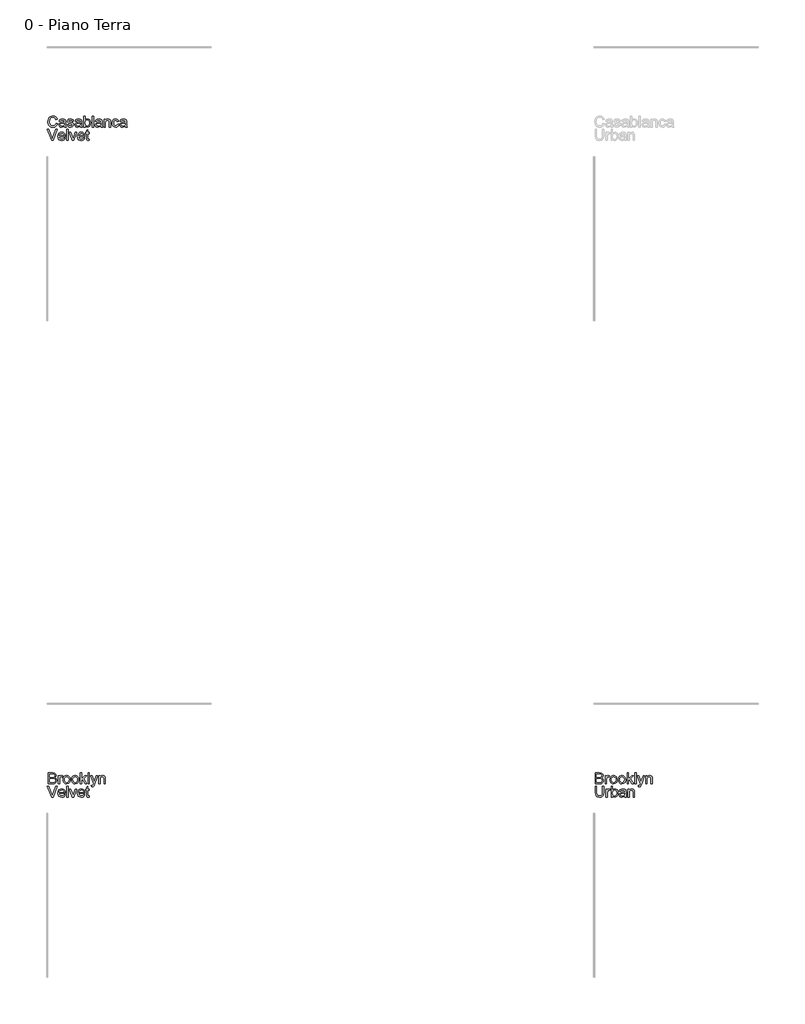
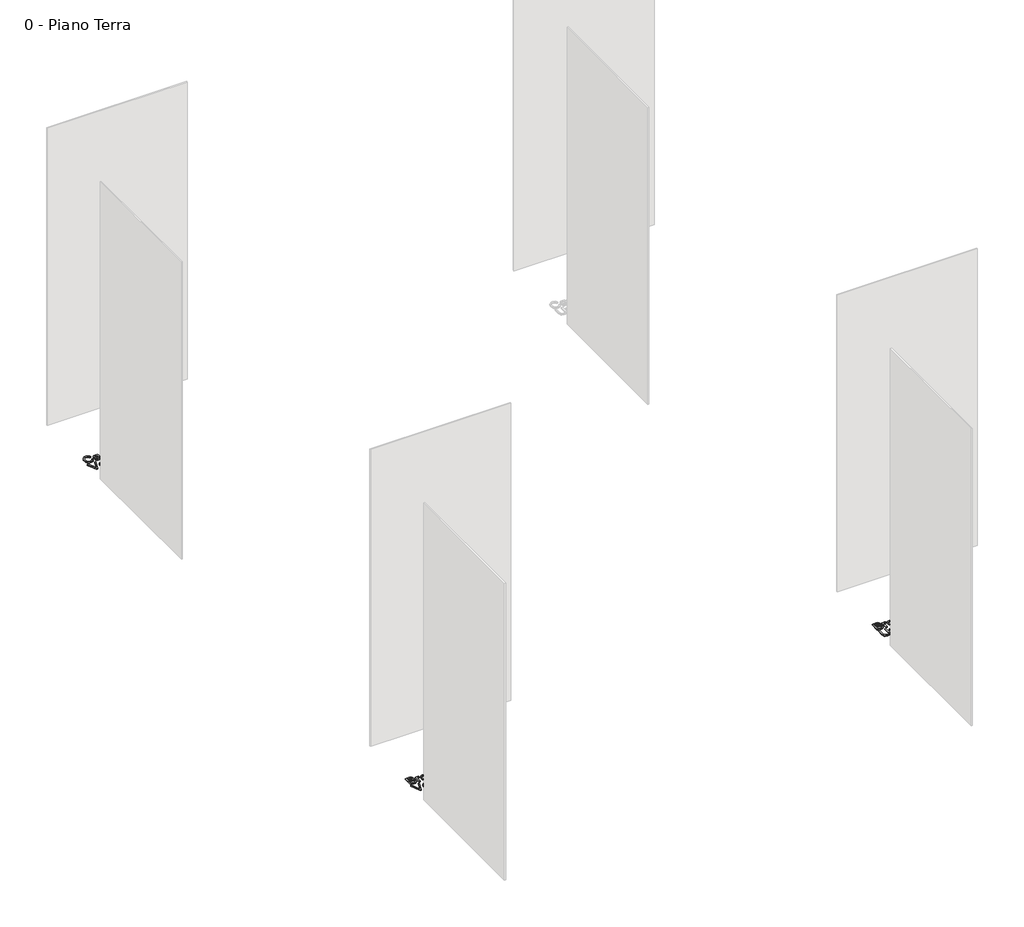
# One storey, part 19 of 35: 3 proxies.
"""IFC4 building model written with IfcOpenShell, lengths in millimetres."""

from ifc_helpers import new_model, si_unit, origin, origin_with_axes, place, context, project, spatial, polyline, outline, extrude, element, save

model = new_model("IFC4")

# Units and contexts
model_context = context("Model", 3, world=origin())
ifc_project = project(units=[si_unit("LENGTHUNIT", "METRE", prefix="MILLI")], contexts=[model_context])

# Site, building, storey
site = spatial("IfcSite", under=ifc_project)
building = spatial("IfcBuilding", under=site)
storey = spatial("IfcBuildingStorey", under=building, Name="0 - Piano Terra", Elevation=0.0)

# Proxies
placement = place(None, origin())
element("IfcBuildingElementProxy", 1, Name="Testo modello 1", ObjectType="Testo modello 1", at=placement, inside=storey, context=model_context, shape_type="SweptSolid", body=[
    extrude(outline(polyline([(7802.3625921, -66238.0501562), (7814.9196309, -66241.2875177), (7809.1254895, -66255.9200241), (7800.0326728, -66266.6100617), (7788.0887707, -66273.1491642), (7773.7413729, -66275.328865), (7759.1763116, -66273.6795274), (7747.6094885, -66268.7315146), (7738.7435325, -66260.6565048), (7732.2810721, -66249.6261763), (7727.0203595, -66222.7707906), (7728.5072159, -66208.1229558), (7732.9677851, -66195.4739466), (7740.1690752, -66185.2253673), (7749.8780942, -66177.7788226), (7761.3928006, -66173.244677), (7774.0111531, -66171.7332952), (7787.7791367, -66173.6892011), (7799.1620188, -66179.5569189), (7807.80418, -66188.974698), (7813.3500011, -66201.5807877), (7800.7929623, -66204.5728946), (7790.4922664, -66189.1341135), (7773.5206437, -66184.2903339), (7753.8757452, -66189.6614111), (7742.7779717, -66204.0823853), (7739.5773983, -66222.7462652), (7743.3665829, -66244.3777265), (7755.1633322, -66258.1978268), (7772.4905741, -66262.7718262), (7782.9721453, -66261.2144591), (7791.706277, -66256.5423578), (7798.3005618, -66248.8045731), (7802.3625921, -66238.0501562)])), origin_with_axes(), (0.0, 0.0, 1.0), 10.0),
    extrude(outline(polyline([(7877.7048248, -66264.3414561), (7865.5279307, -66272.8517929), (7852.0757124, -66275.328865), (7841.5818785, -66273.8389429), (7833.8410282, -66269.3691767), (7829.0677593, -66262.5817539), (7827.4766697, -66254.1388621), (7829.8801654, -66244.2060482), (7836.195473, -66236.9955611), (7844.9878527, -66232.8752828), (7855.8526342, -66230.9868218), (7877.6312484, -66226.6703398), (7877.7048248, -66223.8744366), (7874.246734, -66214.6038103), (7860.3653201, -66210.9740413), (7847.6611285, -66213.3897997), (7841.6033383, -66221.9614502), (7829.0462995, -66220.3918204), (7834.4786903, -66208.1290872), (7845.4170483, -66200.9431256), (7861.9840008, -66198.4170025), (7877.2020527, -66200.64882), (7885.7982287, -66206.252889), (7889.6487269, -66214.7754886), (7890.2618635, -66225.7628975), (7890.2618635, -66241.3856196), (7890.8995257, -66263.2010219), (7893.4011232, -66273.7592352), (7880.8440845, -66273.7592352), (7877.7048248, -66264.3414561)]), holes=[polyline([(7877.7048248, -66239.2273785), (7857.4467896, -66243.0778768), (7846.6433216, -66245.1134905), (7841.7504911, -66248.4244284), (7840.0337085, -66253.2559453), (7843.7738421, -66260.0494995), (7854.7489883, -66262.7718262), (7867.4531798, -66259.7674566), (7875.6446856, -66252.4956558), (7877.6312484, -66242.7835712), (7877.7048248, -66239.2273785)])]), origin_with_axes(), (0.0, 0.0, 1.0), 10.0),
    extrude(outline(polyline([(7902.8189023, -66251.7844173), (7915.3759411, -66250.2147875), (7921.1884766, -66259.5344647), (7934.5058048, -66262.7718262), (7947.3080982, -66259.8042448), (7951.4774275, -66252.8390124), (7947.2835728, -66247.1981551), (7934.358652, -66243.617437), (7915.4495175, -66237.4738077), (7907.196698, -66230.3001088), (7904.3885321, -66220.1710912), (7906.644875, -66210.8146258), (7912.8007671, -66203.6654523), (7920.7838064, -66199.9498442), (7931.5872743, -66198.4170025), (7946.8666399, -66200.8818119), (7956.5787245, -66207.5527388), (7960.8952066, -66218.8221905), (7948.3381678, -66220.3918204), (7943.6170156, -66213.4633761), (7932.568293, -66210.9740413), (7920.5508145, -66213.3530115), (7916.9455709, -66218.8957669), (7918.4416244, -66222.5500614), (7923.1259884, -66225.3214391), (7933.9417191, -66227.994715), (7952.372607, -66233.9053523), (7960.9319948, -66240.6008047), (7964.0344663, -66251.5146372), (7960.3924345, -66263.5321157), (7949.8832722, -66272.250919), (7934.3341266, -66275.328865), (7921.6728546, -66273.8450743), (7912.4328851, -66269.3937021), (7906.2647303, -66262.0237995), (7902.8189023, -66251.7844173)])), origin_with_axes(), (0.0, 0.0, 1.0), 10.0),
    extrude(outline(polyline([(8025.2500303, -66264.3414561), (8013.0731363, -66272.8517929), (7999.620918, -66275.328865), (7989.1270841, -66273.8389429), (7981.3862337, -66269.3691767), (7976.6129648, -66262.5817539), (7975.0218752, -66254.1388621), (7977.4253709, -66244.2060482), (7983.7406785, -66236.9955611), (7992.5330582, -66232.8752828), (8003.3978398, -66230.9868218), (8025.1764539, -66226.6703398), (8025.2500303, -66223.8744366), (8021.7919395, -66214.6038103), (8007.9105256, -66210.9740413), (7995.206334, -66213.3897997), (7989.1485438, -66221.9614502), (7976.5915051, -66220.3918204), (7982.0238959, -66208.1290872), (7992.9622539, -66200.9431256), (8009.5292064, -66198.4170025), (8024.7472582, -66200.64882), (8033.3434342, -66206.252889), (8037.1939324, -66214.7754886), (8037.8070691, -66225.7628975), (8037.8070691, -66241.3856196), (8038.4447312, -66263.2010219), (8040.9463288, -66273.7592352), (8028.38929, -66273.7592352), (8025.2500303, -66264.3414561)]), holes=[polyline([(8025.2500303, -66239.2273785), (8004.9919951, -66243.0778768), (7994.1885272, -66245.1134905), (7989.2956966, -66248.4244284), (7987.578914, -66253.2559453), (7991.3190476, -66260.0494995), (8002.2941938, -66262.7718262), (8014.9983854, -66259.7674566), (8023.1898911, -66252.4956558), (8025.1764539, -66242.7835712), (8025.2500303, -66239.2273785)])]), origin_with_axes(), (0.0, 0.0, 1.0), 10.0),
    extrude(outline(polyline([(8067.6300361, -66273.7592352), (8055.0729974, -66273.7592352), (8055.0729974, -66173.302925), (8067.6300361, -66173.302925), (8067.6300361, -66210.5571084), (8076.4224158, -66201.452029), (8087.3485111, -66198.4170025), (8099.9300753, -66201.151592), (8109.6912109, -66208.8403257), (8115.6876874, -66220.7964906), (8117.8581912, -66235.7692878), (8115.6110454, -66252.532444), (8108.8696078, -66265.0036437), (8098.9766478, -66272.7475597), (8087.2749347, -66275.328865), (8076.1097161, -66271.9995329), (8067.6300361, -66262.0115368), (8067.6300361, -66273.7592352)]), holes=[polyline([(8067.6300361, -66236.357899), (8071.0636014, -66253.9181329), (8077.6425578, -66260.5584029), (8086.1958142, -66262.7718262), (8093.4430895, -66261.1408827), (8099.6357697, -66256.2480522), (8103.8848068, -66248.1239915), (8105.3011524, -66236.7993574), (8103.9430547, -66225.3091764), (8099.8687616, -66217.2770862), (8093.8692194, -66212.5498025), (8086.7353744, -66210.9740413), (8079.4880991, -66212.6049848), (8073.2954189, -66217.4978154), (8069.0463818, -66225.4747233), (8067.6300361, -66236.357899)])]), origin_with_axes(), (0.0, 0.0, 1.0), 10.0),
    extrude(outline(polyline([(8131.9848598, -66273.7592352), (8131.9848598, -66173.302925), (8144.5418986, -66173.302925), (8144.5418986, -66273.7592352), (8131.9848598, -66273.7592352)])), origin_with_axes(), (0.0, 0.0, 1.0), 10.0),
    extrude(outline(polyline([(8210.4663521, -66264.3414561), (8198.2894581, -66272.8517929), (8184.8372398, -66275.328865), (8174.3434059, -66273.8389429), (8166.6025556, -66269.3691767), (8161.8292867, -66262.5817539), (8160.2381971, -66254.1388621), (8162.6416928, -66244.2060482), (8168.9570003, -66236.9955611), (8177.74938, -66232.8752828), (8188.6141616, -66230.9868218), (8210.3927757, -66226.6703398), (8210.4663521, -66223.8744366), (8207.0082614, -66214.6038103), (8193.1268474, -66210.9740413), (8180.4226559, -66213.3897997), (8174.3648657, -66221.9614502), (8161.8078269, -66220.3918204), (8167.2402177, -66208.1290872), (8178.1785757, -66200.9431256), (8194.7455282, -66198.4170025), (8209.9635801, -66200.64882), (8218.559756, -66206.252889), (8222.4102542, -66214.7754886), (8223.0233909, -66225.7628975), (8223.0233909, -66241.3856196), (8223.661053, -66263.2010219), (8226.1626506, -66273.7592352), (8213.6056118, -66273.7592352), (8210.4663521, -66264.3414561)]), holes=[polyline([(8210.4663521, -66239.2273785), (8190.2083169, -66243.0778768), (8179.404849, -66245.1134905), (8174.5120185, -66248.4244284), (8172.7952358, -66253.2559453), (8176.5353694, -66260.0494995), (8187.5105156, -66262.7718262), (8200.2147072, -66259.7674566), (8208.406213, -66252.4956558), (8210.3927757, -66242.7835712), (8210.4663521, -66239.2273785)])]), origin_with_axes(), (0.0, 0.0, 1.0), 10.0),
    extrude(outline(polyline([(8240.2893192, -66273.7592352), (8240.2893192, -66199.9866324), (8252.846358, -66199.9866324), (8252.846358, -66210.2873283), (8262.4480781, -66201.384584), (8275.5569398, -66198.4170025), (8287.4150028, -66200.8082355), (8295.5084067, -66207.0867549), (8299.2730658, -66216.320593), (8299.9352534, -66228.4606988), (8299.9352534, -66273.7592352), (8287.3782146, -66273.7592352), (8287.3782146, -66230.152956), (8285.9312121, -66219.0429197), (8280.8176523, -66213.1690705), (8272.1969509, -66210.9740413), (8258.5730544, -66215.90366), (8254.2780321, -66223.0467021), (8252.846358, -66234.6165909), (8252.846358, -66273.7592352), (8240.2893192, -66273.7592352)])), origin_with_axes(), (0.0, 0.0, 1.0), 10.0),
    extrude(outline(polyline([(8364.290077, -66247.0755278), (8376.8471158, -66248.6451576), (8373.3461055, -66259.8134419), (8366.7671491, -66268.253268), (8357.7295148, -66273.5599657), (8346.8524705, -66275.328865), (8333.4952884, -66272.8609899), (8323.0505054, -66265.4573648), (8316.3090678, -66253.442952), (8314.061922, -66237.1427139), (8317.9001575, -66216.2838048), (8329.5988049, -66202.8806374), (8346.6807922, -66198.4170025), (8357.2911221, -66199.9498442), (8365.7738678, -66204.5483691), (8371.8592491, -66211.9673227), (8375.277486, -66221.9614502), (8362.7204472, -66223.5310801), (8356.8956489, -66214.1255637), (8346.7788941, -66210.9740413), (8338.6640304, -66212.5252771), (8332.2230298, -66217.1789843), (8328.019978, -66225.1865491), (8326.6189607, -66236.7993574), (8327.9893212, -66248.5685155), (8332.1004025, -66256.6036714), (8338.4249071, -66261.2297875), (8346.4355375, -66262.7718262), (8358.2690751, -66258.921328), (8364.290077, -66247.0755278)])), origin_with_axes(), (0.0, 0.0, 1.0), 10.0),
    extrude(outline(polyline([(8434.9234201, -66264.3414561), (8422.7465261, -66272.8517929), (8409.2943078, -66275.328865), (8398.8004739, -66273.8389429), (8391.0596236, -66269.3691767), (8386.2863547, -66262.5817539), (8384.695265, -66254.1388621), (8387.0987607, -66244.2060482), (8393.4140683, -66236.9955611), (8402.206448, -66232.8752828), (8413.0712296, -66230.9868218), (8434.8498437, -66226.6703398), (8434.9234201, -66223.8744366), (8431.4653294, -66214.6038103), (8417.5839154, -66210.9740413), (8404.8797239, -66213.3897997), (8398.8219337, -66221.9614502), (8386.2648949, -66220.3918204), (8391.6972857, -66208.1290872), (8402.6356437, -66200.9431256), (8419.2025962, -66198.4170025), (8434.4206481, -66200.64882), (8443.016824, -66206.252889), (8446.8673222, -66214.7754886), (8447.4804589, -66225.7628975), (8447.4804589, -66241.3856196), (8448.118121, -66263.2010219), (8450.6197186, -66273.7592352), (8438.0626798, -66273.7592352), (8434.9234201, -66264.3414561)]), holes=[polyline([(8434.9234201, -66239.2273785), (8414.6653849, -66243.0778768), (8403.861917, -66245.1134905), (8398.9690865, -66248.4244284), (8397.2523038, -66253.2559453), (8400.9924374, -66260.0494995), (8411.9675836, -66262.7718262), (8424.6717752, -66259.7674566), (8432.8632809, -66252.4956558), (8434.8498437, -66242.7835712), (8434.9234201, -66239.2273785)])]), origin_with_axes(), (0.0, 0.0, 1.0), 10.0),
    extrude(outline(polyline([(7761.4050634, -66395.734053), (7721.4285532, -66295.2777428), (7734.8685088, -66295.2777428), (7761.6257926, -66367.652394), (7767.0459206, -66383.9618292), (7772.3924723, -66367.652394), (7799.2233325, -66295.2777428), (7812.663288, -66295.2777428), (7774.379035, -66395.734053), (7761.4050634, -66395.734053)])), origin_with_axes(), (0.0, 0.0, 1.0), 10.0),
    extrude(outline(polyline([(7874.4184123, -66373.7592352), (7886.7301964, -66375.328865), (7882.2941527, -66384.6056226), (7875.2154899, -66391.5401983), (7865.6536237, -66395.8628117), (7853.7679696, -66397.3036828), (7839.0342957, -66394.8174137), (7827.6973989, -66387.3586062), (7820.4685177, -66375.4116384), (7818.0588906, -66359.4608883), (7820.4930431, -66342.9736435), (7827.7955007, -66330.6434653), (7838.9791134, -66322.9547316), (7853.0567311, -66320.3918204), (7866.6959561, -66322.9486003), (7877.5944602, -66330.6189399), (7884.7405679, -66342.9245926), (7887.1226038, -66359.3873119), (7887.0490274, -66362.7718262), (7830.6159294, -66362.7718262), (7832.7894988, -66372.1712112), (7837.8386792, -66379.0812613), (7845.1258084, -66383.3302984), (7854.0132243, -66384.7466441), (7866.3250084, -66382.1224192), (7874.4184123, -66373.7592352)]), holes=[polyline([(7830.6159294, -66350.2147875), (7874.5655651, -66350.2147875), (7869.5378445, -66338.8349711), (7862.2169928, -66334.4203871), (7853.0076802, -66332.9488592), (7837.5443736, -66337.645486), (7832.6791342, -66343.1361247), (7830.6159294, -66350.2147875)])]), origin_with_axes(), (0.0, 0.0, 1.0), 10.0),
    extrude(outline(polyline([(7899.6796426, -66395.734053), (7899.6796426, -66295.2777428), (7912.2366814, -66295.2777428), (7912.2366814, -66395.734053), (7899.6796426, -66395.734053)])), origin_with_axes(), (0.0, 0.0, 1.0), 10.0),
    extrude(outline(polyline([(7949.1720337, -66395.734053), (7923.2240903, -66321.9614502), (7936.5168931, -66321.9614502), (7952.237717, -66366.1563406), (7956.971132, -66381.0187732), (7961.6064451, -66366.9902064), (7977.4253709, -66321.9614502), (7990.7181737, -66321.9614502), (7965.0890613, -66395.734053), (7949.1720337, -66395.734053)])), origin_with_axes(), (0.0, 0.0, 1.0), 10.0),
    extrude(outline(polyline([(8053.3562147, -66373.7592352), (8065.6679988, -66375.328865), (8061.2319551, -66384.6056226), (8054.1532924, -66391.5401983), (8044.5914262, -66395.8628117), (8032.7057721, -66397.3036828), (8017.9720982, -66394.8174137), (8006.6352013, -66387.3586062), (7999.4063201, -66375.4116384), (7996.9966931, -66359.4608883), (7999.4308456, -66342.9736435), (8006.7333032, -66330.6434653), (8017.9169159, -66322.9547316), (8031.9945335, -66320.3918204), (8045.6337585, -66322.9486003), (8056.5322626, -66330.6189399), (8063.6783704, -66342.9245926), (8066.0604063, -66359.3873119), (8065.9868299, -66362.7718262), (8009.5537318, -66362.7718262), (8011.7273013, -66372.1712112), (8016.7764817, -66379.0812613), (8024.0636109, -66383.3302984), (8032.9510267, -66384.7466441), (8045.2628108, -66382.1224192), (8053.3562147, -66373.7592352)]), holes=[polyline([(8009.5537318, -66350.2147875), (8053.5033675, -66350.2147875), (8048.4756469, -66338.8349711), (8041.1547952, -66334.4203871), (8031.9454826, -66332.9488592), (8016.4821761, -66337.645486), (8011.6169367, -66343.1361247), (8009.5537318, -66350.2147875)])]), origin_with_axes(), (0.0, 0.0, 1.0), 10.0),
    extrude(outline(polyline([(8105.3011524, -66385.2616789), (8106.8707823, -66396.101935), (8097.4775287, -66397.3036828), (8086.9561036, -66395.2190182), (8081.7076538, -66389.7498392), (8080.1870749, -66375.5005433), (8080.1870749, -66334.518489), (8070.7692958, -66334.518489), (8070.7692958, -66321.9614502), (8080.1870749, -66321.9614502), (8080.1870749, -66304.0333343), (8092.7441137, -66296.651169), (8092.7441137, -66321.9614502), (8105.3011524, -66321.9614502), (8105.3011524, -66334.518489), (8092.7441137, -66334.518489), (8092.7441137, -66375.1326613), (8093.4063013, -66381.6073844), (8095.5522796, -66383.9005155), (8099.8319734, -66384.7466441), (8105.3011524, -66385.2616789)])), origin_with_axes(), (0.0, 0.0, 1.0), 10.0),
])
element("IfcBuildingElementProxy", 2, Name="Testo modello 1", ObjectType="Testo modello 1", at=placement, inside=storey, context=model_context, shape_type="SweptSolid", body=[
    extrude(outline(polyline([(7731.7292491, -72273.7592352), (7731.7292491, -72173.302925), (7770.062553, -72173.302925), (7788.8367975, -72176.2582437), (7799.9223082, -72185.344929), (7803.932222, -72198.1962733), (7800.5599704, -72209.931709), (7790.3696391, -72218.8221905), (7802.7427369, -72228.1909187), (7807.0714817, -72243.8136407), (7804.116163, -72257.31491), (7796.7953113, -72266.9288928), (7785.869216, -72272.0301898), (7769.7682474, -72273.7592352), (7731.7292491, -72273.7592352)]), holes=[polyline([(7744.2862878, -72214.113301), (7767.2175989, -72214.113301), (7780.6085035, -72213.0341805), (7788.6651192, -72208.3866046), (7791.3751832, -72200.2073616), (7788.8490602, -72192.0158558), (7781.6140476, -72187.1720762), (7765.4762908, -72185.8599638), (7744.2862878, -72185.8599638), (7744.2862878, -72214.113301)]), polyline([(7744.2862878, -72261.2021964), (7770.0380275, -72261.2021964), (7779.3577047, -72260.7116871), (7787.2426421, -72257.9770976), (7792.4665665, -72252.397554), (7794.5144429, -72243.9362681), (7792.1109472, -72234.1751325), (7784.3241117, -72228.3503342), (7768.8117542, -72226.6703398), (7744.2862878, -72226.6703398), (7744.2862878, -72261.2021964)])]), origin_with_axes(), (0.0, 0.0, 1.0), 10.0),
    extrude(outline(polyline([(7822.7677801, -72273.7592352), (7822.7677801, -72199.9866324), (7833.7551891, -72199.9866324), (7833.7551891, -72210.9004649), (7841.5542874, -72200.8450237), (7849.4024366, -72198.4170025), (7862.0085263, -72202.2920262), (7857.8146716, -72213.5492153), (7848.9855037, -72210.9740413), (7841.8853812, -72213.4511134), (7837.3604326, -72220.318244), (7835.3248189, -72234.9844729), (7835.3248189, -72273.7592352), (7822.7677801, -72273.7592352)])), origin_with_axes(), (0.0, 0.0, 1.0), 10.0),
    extrude(outline(polyline([(7866.7174158, -72236.8729338), (7869.4336112, -72219.0858393), (7877.5821974, -72206.5839828), (7887.6499014, -72200.4587476), (7899.7041681, -72198.4170025), (7912.8958033, -72200.9032717), (7923.4325568, -72208.3620791), (7930.3395412, -72220.2048137), (7932.6418694, -72235.8428642), (7928.570642, -72258.185564), (7916.712579, -72270.8284419), (7899.7041681, -72275.328865), (7886.3531173, -72272.8517929), (7875.8286266, -72265.4205766), (7868.9952185, -72253.3295217), (7866.7174158, -72236.8729338)]), holes=[polyline([(7879.2744546, -72236.8484083), (7880.7275885, -72248.2128963), (7885.0869901, -72256.3093658), (7891.6475524, -72261.1562111), (7899.7041681, -72262.7718262), (7907.7239956, -72261.1470141), (7914.2722951, -72256.2725776), (7918.6316967, -72248.0688092), (7920.0848306, -72236.4560008), (7918.6224997, -72225.4226067), (7914.2355069, -72217.4365017), (7907.6780103, -72212.5896564), (7899.7041681, -72210.9740413), (7891.6475524, -72212.583525), (7885.0869901, -72217.4119762), (7880.7275885, -72225.4900517), (7879.2744546, -72236.8484083)])]), origin_with_axes(), (0.0, 0.0, 1.0), 10.0),
    extrude(outline(polyline([(7943.6292783, -72236.8729338), (7946.3454737, -72219.0858393), (7954.4940599, -72206.5839828), (7964.5617638, -72200.4587476), (7976.6160305, -72198.4170025), (7989.8076657, -72200.9032717), (8000.3444192, -72208.3620791), (8007.2514037, -72220.2048137), (8009.5537318, -72235.8428642), (8005.4825044, -72258.185564), (7993.6244414, -72270.8284419), (7976.6160305, -72275.328865), (7963.2649798, -72272.8517929), (7952.740489, -72265.4205766), (7945.907081, -72253.3295217), (7943.6292783, -72236.8729338)]), holes=[polyline([(7956.1863171, -72236.8484083), (7957.6394509, -72248.2128963), (7961.9988526, -72256.3093658), (7968.5594148, -72261.1562111), (7976.6160305, -72262.7718262), (7984.635858, -72261.1470141), (7991.1841575, -72256.2725776), (7995.5435592, -72248.0688092), (7996.9966931, -72236.4560008), (7995.5343621, -72225.4226067), (7991.1473693, -72217.4365017), (7984.5898728, -72212.5896564), (7976.6160305, -72210.9740413), (7968.5594148, -72212.583525), (7961.9988526, -72217.4119762), (7957.6394509, -72225.4900517), (7956.1863171, -72236.8484083)])]), origin_with_axes(), (0.0, 0.0, 1.0), 10.0),
    extrude(outline(polyline([(8023.6804004, -72273.7592352), (8023.6804004, -72173.302925), (8036.2374392, -72173.302925), (8036.2374392, -72227.2834764), (8064.3926746, -72199.9866324), (8081.7567048, -72199.9866324), (8053.2581129, -72227.626833), (8083.3263346, -72273.7592352), (8068.6601057, -72273.7592352), (8044.2572667, -72236.357899), (8036.2374392, -72244.1324718), (8036.2374392, -72273.7592352), (8023.6804004, -72273.7592352)])), origin_with_axes(), (0.0, 0.0, 1.0), 10.0),
    extrude(outline(polyline([(8094.3137435, -72273.7592352), (8094.3137435, -72173.302925), (8106.8707823, -72173.302925), (8106.8707823, -72273.7592352), (8094.3137435, -72273.7592352)])), origin_with_axes(), (0.0, 0.0, 1.0), 10.0),
    extrude(outline(polyline([(8125.7063404, -72302.0125724), (8124.1367106, -72289.9215175), (8130.5133318, -72291.0251635), (8136.4730202, -72289.6394746), (8140.1273147, -72285.7767137), (8143.5608799, -72276.5306128), (8144.5418986, -72273.489455), (8117.8581912, -72199.9866324), (8131.101943, -72199.9866324), (8145.2531371, -72240.9441612), (8150.1827559, -72257.3271727), (8155.1123746, -72242.8571476), (8169.6559761, -72199.9866324), (8182.8016261, -72199.9866324), (8157.1234628, -72275.5250687), (8150.452536, -72291.9080802), (8143.1684725, -72300.7617736), (8133.3828114, -72303.5822022), (8125.7063404, -72302.0125724)])), origin_with_axes(), (0.0, 0.0, 1.0), 10.0),
    extrude(outline(polyline([(8193.2004238, -72273.7592352), (8193.2004238, -72199.9866324), (8205.7574626, -72199.9866324), (8205.7574626, -72210.2873283), (8215.3591827, -72201.384584), (8228.4680444, -72198.4170025), (8240.3261074, -72200.8082355), (8248.4195113, -72207.0867549), (8252.1841704, -72216.320593), (8252.846358, -72228.4606988), (8252.846358, -72273.7592352), (8240.2893192, -72273.7592352), (8240.2893192, -72230.152956), (8238.8423167, -72219.0429197), (8233.728757, -72213.1690705), (8225.1080555, -72210.9740413), (8211.484159, -72215.90366), (8207.1891367, -72223.0467021), (8205.7574626, -72234.6165909), (8205.7574626, -72273.7592352), (8193.2004238, -72273.7592352)])), origin_with_axes(), (0.0, 0.0, 1.0), 10.0),
    extrude(outline(polyline([(7761.4050634, -72395.734053), (7721.4285532, -72295.2777428), (7734.8685088, -72295.2777428), (7761.6257926, -72367.652394), (7767.0459206, -72383.9618292), (7772.3924723, -72367.652394), (7799.2233325, -72295.2777428), (7812.663288, -72295.2777428), (7774.379035, -72395.734053), (7761.4050634, -72395.734053)])), origin_with_axes(), (0.0, 0.0, 1.0), 10.0),
    extrude(outline(polyline([(7874.4184123, -72373.7592352), (7886.7301964, -72375.328865), (7882.2941527, -72384.6056226), (7875.2154899, -72391.5401983), (7865.6536237, -72395.8628117), (7853.7679696, -72397.3036828), (7839.0342957, -72394.8174137), (7827.6973989, -72387.3586062), (7820.4685177, -72375.4116384), (7818.0588906, -72359.4608883), (7820.4930431, -72342.9736435), (7827.7955007, -72330.6434653), (7838.9791134, -72322.9547316), (7853.0567311, -72320.3918204), (7866.6959561, -72322.9486003), (7877.5944602, -72330.6189399), (7884.7405679, -72342.9245926), (7887.1226038, -72359.3873119), (7887.0490274, -72362.7718262), (7830.6159294, -72362.7718262), (7832.7894988, -72372.1712112), (7837.8386792, -72379.0812613), (7845.1258084, -72383.3302984), (7854.0132243, -72384.7466441), (7866.3250084, -72382.1224192), (7874.4184123, -72373.7592352)]), holes=[polyline([(7830.6159294, -72350.2147875), (7874.5655651, -72350.2147875), (7869.5378445, -72338.8349711), (7862.2169928, -72334.4203871), (7853.0076802, -72332.9488592), (7837.5443736, -72337.645486), (7832.6791342, -72343.1361247), (7830.6159294, -72350.2147875)])]), origin_with_axes(), (0.0, 0.0, 1.0), 10.0),
    extrude(outline(polyline([(7899.6796426, -72395.734053), (7899.6796426, -72295.2777428), (7912.2366814, -72295.2777428), (7912.2366814, -72395.734053), (7899.6796426, -72395.734053)])), origin_with_axes(), (0.0, 0.0, 1.0), 10.0),
    extrude(outline(polyline([(7949.1720337, -72395.734053), (7923.2240903, -72321.9614502), (7936.5168931, -72321.9614502), (7952.237717, -72366.1563406), (7956.971132, -72381.0187732), (7961.6064451, -72366.9902064), (7977.4253709, -72321.9614502), (7990.7181737, -72321.9614502), (7965.0890613, -72395.734053), (7949.1720337, -72395.734053)])), origin_with_axes(), (0.0, 0.0, 1.0), 10.0),
    extrude(outline(polyline([(8053.3562147, -72373.7592352), (8065.6679988, -72375.328865), (8061.2319551, -72384.6056226), (8054.1532924, -72391.5401983), (8044.5914262, -72395.8628117), (8032.7057721, -72397.3036828), (8017.9720982, -72394.8174137), (8006.6352013, -72387.3586062), (7999.4063201, -72375.4116384), (7996.9966931, -72359.4608883), (7999.4308456, -72342.9736435), (8006.7333032, -72330.6434653), (8017.9169159, -72322.9547316), (8031.9945335, -72320.3918204), (8045.6337585, -72322.9486003), (8056.5322626, -72330.6189399), (8063.6783704, -72342.9245926), (8066.0604063, -72359.3873119), (8065.9868299, -72362.7718262), (8009.5537318, -72362.7718262), (8011.7273013, -72372.1712112), (8016.7764817, -72379.0812613), (8024.0636109, -72383.3302984), (8032.9510267, -72384.7466441), (8045.2628108, -72382.1224192), (8053.3562147, -72373.7592352)]), holes=[polyline([(8009.5537318, -72350.2147875), (8053.5033675, -72350.2147875), (8048.4756469, -72338.8349711), (8041.1547952, -72334.4203871), (8031.9454826, -72332.9488592), (8016.4821761, -72337.645486), (8011.6169367, -72343.1361247), (8009.5537318, -72350.2147875)])]), origin_with_axes(), (0.0, 0.0, 1.0), 10.0),
    extrude(outline(polyline([(8105.3011524, -72385.2616789), (8106.8707823, -72396.101935), (8097.4775287, -72397.3036828), (8086.9561036, -72395.2190182), (8081.7076538, -72389.7498392), (8080.1870749, -72375.5005433), (8080.1870749, -72334.518489), (8070.7692958, -72334.518489), (8070.7692958, -72321.9614502), (8080.1870749, -72321.9614502), (8080.1870749, -72304.0333343), (8092.7441137, -72296.651169), (8092.7441137, -72321.9614502), (8105.3011524, -72321.9614502), (8105.3011524, -72334.518489), (8092.7441137, -72334.518489), (8092.7441137, -72375.1326613), (8093.4063013, -72381.6073844), (8095.5522796, -72383.9005155), (8099.8319734, -72384.7466441), (8105.3011524, -72385.2616789)])), origin_with_axes(), (0.0, 0.0, 1.0), 10.0),
])
element("IfcBuildingElementProxy", 3, Name="Testo modello 1", ObjectType="Testo modello 1", at=placement, inside=storey, context=model_context, shape_type="SweptSolid", body=[
    extrude(outline(polyline([(12731.7292491, -72273.7592352), (12731.7292491, -72173.302925), (12770.062553, -72173.302925), (12788.8367975, -72176.2582437), (12799.9223082, -72185.344929), (12803.932222, -72198.1962733), (12800.5599704, -72209.931709), (12790.3696391, -72218.8221905), (12802.7427369, -72228.1909187), (12807.0714817, -72243.8136407), (12804.116163, -72257.31491), (12796.7953113, -72266.9288928), (12785.869216, -72272.0301898), (12769.7682474, -72273.7592352), (12731.7292491, -72273.7592352)]), holes=[polyline([(12744.2862878, -72214.113301), (12767.2175989, -72214.113301), (12780.6085035, -72213.0341805), (12788.6651192, -72208.3866046), (12791.3751832, -72200.2073616), (12788.8490602, -72192.0158558), (12781.6140476, -72187.1720762), (12765.4762908, -72185.8599638), (12744.2862878, -72185.8599638), (12744.2862878, -72214.113301)]), polyline([(12744.2862878, -72261.2021964), (12770.0380275, -72261.2021964), (12779.3577047, -72260.7116871), (12787.2426421, -72257.9770976), (12792.4665665, -72252.397554), (12794.5144429, -72243.9362681), (12792.1109472, -72234.1751325), (12784.3241117, -72228.3503342), (12768.8117542, -72226.6703398), (12744.2862878, -72226.6703398), (12744.2862878, -72261.2021964)])]), origin_with_axes(), (0.0, 0.0, 1.0), 10.0),
    extrude(outline(polyline([(12822.7677801, -72273.7592352), (12822.7677801, -72199.9866324), (12833.7551891, -72199.9866324), (12833.7551891, -72210.9004649), (12841.5542874, -72200.8450237), (12849.4024366, -72198.4170025), (12862.0085263, -72202.2920262), (12857.8146716, -72213.5492153), (12848.9855037, -72210.9740413), (12841.8853812, -72213.4511134), (12837.3604326, -72220.318244), (12835.3248189, -72234.9844729), (12835.3248189, -72273.7592352), (12822.7677801, -72273.7592352)])), origin_with_axes(), (0.0, 0.0, 1.0), 10.0),
    extrude(outline(polyline([(12866.7174158, -72236.8729338), (12869.4336112, -72219.0858393), (12877.5821974, -72206.5839828), (12887.6499014, -72200.4587476), (12899.7041681, -72198.4170025), (12912.8958033, -72200.9032717), (12923.4325568, -72208.3620791), (12930.3395412, -72220.2048137), (12932.6418694, -72235.8428642), (12928.570642, -72258.185564), (12916.712579, -72270.8284419), (12899.7041681, -72275.328865), (12886.3531173, -72272.8517929), (12875.8286266, -72265.4205766), (12868.9952185, -72253.3295217), (12866.7174158, -72236.8729338)]), holes=[polyline([(12879.2744546, -72236.8484083), (12880.7275885, -72248.2128963), (12885.0869901, -72256.3093658), (12891.6475524, -72261.1562111), (12899.7041681, -72262.7718262), (12907.7239956, -72261.1470141), (12914.2722951, -72256.2725776), (12918.6316967, -72248.0688092), (12920.0848306, -72236.4560008), (12918.6224997, -72225.4226067), (12914.2355069, -72217.4365017), (12907.6780103, -72212.5896564), (12899.7041681, -72210.9740413), (12891.6475524, -72212.583525), (12885.0869901, -72217.4119762), (12880.7275885, -72225.4900517), (12879.2744546, -72236.8484083)])]), origin_with_axes(), (0.0, 0.0, 1.0), 10.0),
    extrude(outline(polyline([(12943.6292783, -72236.8729338), (12946.3454737, -72219.0858393), (12954.4940599, -72206.5839828), (12964.5617638, -72200.4587476), (12976.6160305, -72198.4170025), (12989.8076657, -72200.9032717), (13000.3444192, -72208.3620791), (13007.2514037, -72220.2048137), (13009.5537318, -72235.8428642), (13005.4825044, -72258.185564), (12993.6244414, -72270.8284419), (12976.6160305, -72275.328865), (12963.2649798, -72272.8517929), (12952.740489, -72265.4205766), (12945.907081, -72253.3295217), (12943.6292783, -72236.8729338)]), holes=[polyline([(12956.1863171, -72236.8484083), (12957.6394509, -72248.2128963), (12961.9988526, -72256.3093658), (12968.5594148, -72261.1562111), (12976.6160305, -72262.7718262), (12984.635858, -72261.1470141), (12991.1841575, -72256.2725776), (12995.5435592, -72248.0688092), (12996.9966931, -72236.4560008), (12995.5343621, -72225.4226067), (12991.1473693, -72217.4365017), (12984.5898728, -72212.5896564), (12976.6160305, -72210.9740413), (12968.5594148, -72212.583525), (12961.9988526, -72217.4119762), (12957.6394509, -72225.4900517), (12956.1863171, -72236.8484083)])]), origin_with_axes(), (0.0, 0.0, 1.0), 10.0),
    extrude(outline(polyline([(13023.6804004, -72273.7592352), (13023.6804004, -72173.302925), (13036.2374392, -72173.302925), (13036.2374392, -72227.2834764), (13064.3926746, -72199.9866324), (13081.7567048, -72199.9866324), (13053.2581129, -72227.626833), (13083.3263346, -72273.7592352), (13068.6601057, -72273.7592352), (13044.2572667, -72236.357899), (13036.2374392, -72244.1324718), (13036.2374392, -72273.7592352), (13023.6804004, -72273.7592352)])), origin_with_axes(), (0.0, 0.0, 1.0), 10.0),
    extrude(outline(polyline([(13094.3137435, -72273.7592352), (13094.3137435, -72173.302925), (13106.8707823, -72173.302925), (13106.8707823, -72273.7592352), (13094.3137435, -72273.7592352)])), origin_with_axes(), (0.0, 0.0, 1.0), 10.0),
    extrude(outline(polyline([(13125.7063404, -72302.0125724), (13124.1367106, -72289.9215175), (13130.5133318, -72291.0251635), (13136.4730202, -72289.6394746), (13140.1273147, -72285.7767137), (13143.5608799, -72276.5306128), (13144.5418986, -72273.489455), (13117.8581912, -72199.9866324), (13131.101943, -72199.9866324), (13145.2531371, -72240.9441612), (13150.1827559, -72257.3271727), (13155.1123746, -72242.8571476), (13169.6559761, -72199.9866324), (13182.8016261, -72199.9866324), (13157.1234628, -72275.5250687), (13150.452536, -72291.9080802), (13143.1684725, -72300.7617736), (13133.3828114, -72303.5822022), (13125.7063404, -72302.0125724)])), origin_with_axes(), (0.0, 0.0, 1.0), 10.0),
    extrude(outline(polyline([(13193.2004238, -72273.7592352), (13193.2004238, -72199.9866324), (13205.7574626, -72199.9866324), (13205.7574626, -72210.2873283), (13215.3591827, -72201.384584), (13228.4680444, -72198.4170025), (13240.3261074, -72200.8082355), (13248.4195113, -72207.0867549), (13252.1841704, -72216.320593), (13252.846358, -72228.4606988), (13252.846358, -72273.7592352), (13240.2893192, -72273.7592352), (13240.2893192, -72230.152956), (13238.8423167, -72219.0429197), (13233.728757, -72213.1690705), (13225.1080555, -72210.9740413), (13211.484159, -72215.90366), (13207.1891367, -72223.0467021), (13205.7574626, -72234.6165909), (13205.7574626, -72273.7592352), (13193.2004238, -72273.7592352)])), origin_with_axes(), (0.0, 0.0, 1.0), 10.0),
    extrude(outline(polyline([(12797.6537026, -72295.2777428), (12810.2107414, -72295.2777428), (12810.2107414, -72353.2314198), (12806.8017016, -72377.2541141), (12794.5144429, -72391.7241392), (12784.2505353, -72395.9087969), (12771.2152499, -72397.3036828), (12748.2716761, -72392.4476405), (12740.6319934, -72386.5032806), (12735.5429591, -72378.3822856), (12731.7292491, -72353.2314198), (12731.7292491, -72295.2777428), (12744.2862878, -72295.2777428), (12744.2862878, -72352.7899614), (12746.7633599, -72371.9320879), (12755.2736968, -72381.4111807), (12770.0380275, -72384.7466441), (12782.8096641, -72383.0973065), (12791.3016068, -72378.1492936), (12796.0656787, -72368.5107854), (12797.6537026, -72352.7899614), (12797.6537026, -72295.2777428)])), origin_with_axes(), (0.0, 0.0, 1.0), 10.0),
    extrude(outline(polyline([(12830.6159294, -72395.734053), (12830.6159294, -72321.9614502), (12841.6033383, -72321.9614502), (12841.6033383, -72332.8752828), (12849.4024366, -72322.8198416), (12857.2505858, -72320.3918204), (12869.8566755, -72324.2668441), (12865.6628208, -72335.5240331), (12856.8336529, -72332.9488592), (12849.7335304, -72335.4259313), (12845.2085819, -72342.2930618), (12843.1729681, -72356.9592907), (12843.1729681, -72395.734053), (12830.6159294, -72395.734053)])), origin_with_axes(), (0.0, 0.0, 1.0), 10.0),
    extrude(outline(polyline([(12890.2618635, -72395.734053), (12877.7048248, -72395.734053), (12877.7048248, -72295.2777428), (12890.2618635, -72295.2777428), (12890.2618635, -72332.5319262), (12899.0542432, -72323.4268468), (12909.9803385, -72320.3918204), (12922.5619027, -72323.1264099), (12932.3230383, -72330.8151436), (12938.3195148, -72342.7713084), (12940.4900186, -72357.7441056), (12938.2428728, -72374.5072619), (12931.5014352, -72386.9784615), (12921.6084752, -72394.7223775), (12909.9067621, -72397.3036828), (12898.7415435, -72393.9743508), (12890.2618635, -72383.9863546), (12890.2618635, -72395.734053)]), holes=[polyline([(12890.2618635, -72358.3327168), (12893.6954288, -72375.8929507), (12900.2743852, -72382.5332207), (12908.8276416, -72384.7466441), (12916.0749169, -72383.1157006), (12922.2675971, -72378.22287), (12926.5166342, -72370.0988093), (12927.9329798, -72358.7741752), (12926.5748821, -72347.2839942), (12922.500589, -72339.251904), (12916.5010468, -72334.5246204), (12909.3672018, -72332.9488592), (12902.1199265, -72334.5798027), (12895.9272463, -72339.4726332), (12891.6782092, -72347.4495411), (12890.2618635, -72358.3327168)])]), origin_with_axes(), (0.0, 0.0, 1.0), 10.0),
    extrude(outline(polyline([(13001.7055826, -72386.3162739), (12989.5286886, -72394.8266107), (12976.0764703, -72397.3036828), (12965.5826364, -72395.8137608), (12957.841786, -72391.3439945), (12953.0685172, -72384.5565717), (12951.4774275, -72376.1136799), (12953.8809232, -72366.1808661), (12960.1962308, -72358.9703789), (12968.9886105, -72354.8501006), (12979.8533921, -72352.9616397), (13001.6320062, -72348.6451576), (13001.7055826, -72345.8492545), (12998.2474918, -72336.5786282), (12984.3660779, -72332.9488592), (12971.6618863, -72335.3646176), (12965.6040961, -72343.9362681), (12953.0470574, -72342.3666382), (12958.4794482, -72330.1039051), (12969.4178062, -72322.9179434), (12985.9847587, -72320.3918204), (13001.2028105, -72322.6236378), (13009.7989865, -72328.2277069), (13013.6494847, -72336.7503064), (13014.2626214, -72347.7377154), (13014.2626214, -72363.3604374), (13014.9002835, -72385.1758397), (13017.4018811, -72395.734053), (13004.8448423, -72395.734053), (13001.7055826, -72386.3162739)]), holes=[polyline([(13001.7055826, -72361.2021964), (12981.4475474, -72365.0526946), (12970.6440795, -72367.0883083), (12965.7512489, -72370.3992463), (12964.0344663, -72375.2307631), (12967.7745999, -72382.0243173), (12978.7497461, -72384.7466441), (12991.4539377, -72381.7422744), (12999.6454434, -72374.4704737), (13001.6320062, -72364.758389), (13001.7055826, -72361.2021964)])]), origin_with_axes(), (0.0, 0.0, 1.0), 10.0),
    extrude(outline(polyline([(13031.5285497, -72395.734053), (13031.5285497, -72321.9614502), (13044.0855884, -72321.9614502), (13044.0855884, -72332.2621461), (13053.6873085, -72323.3594018), (13066.7961703, -72320.3918204), (13078.6542333, -72322.7830534), (13086.7476372, -72329.0615727), (13090.5122962, -72338.2954108), (13091.1744838, -72350.4355167), (13091.1744838, -72395.734053), (13078.6174451, -72395.734053), (13078.6174451, -72352.1277738), (13077.1704425, -72341.0177376), (13072.0568828, -72335.1438884), (13063.4361814, -72332.9488592), (13049.8122848, -72337.8784779), (13045.5172625, -72345.02152), (13044.0855884, -72356.5914087), (13044.0855884, -72395.734053), (13031.5285497, -72395.734053)])), origin_with_axes(), (0.0, 0.0, 1.0), 10.0),
])

save(model, "model.ifc")
